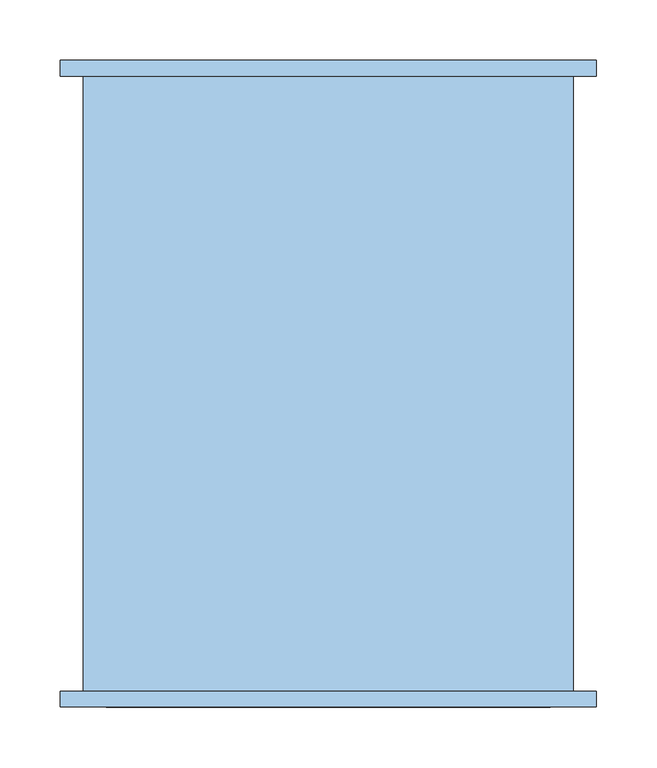
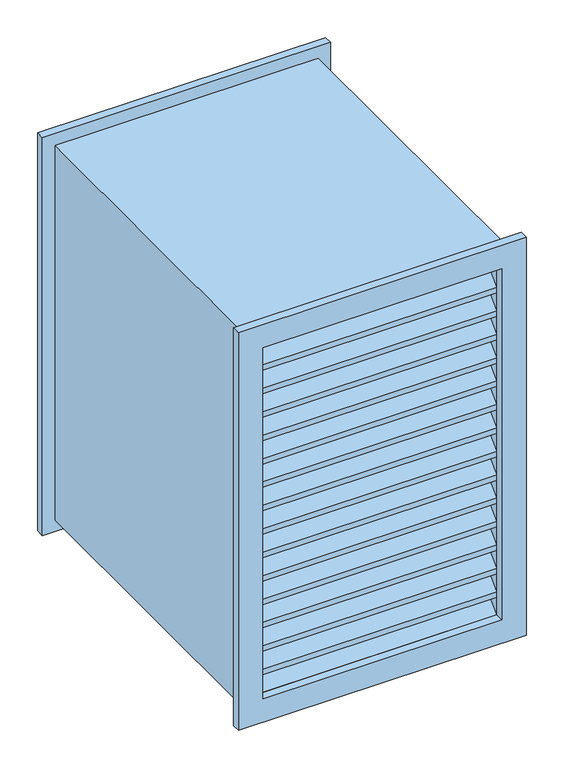
"""IFC4 building model written with IfcOpenShell, lengths in millimetres: window geometry."""

from ifc_helpers import new_model, si_unit, frame, origin, place, context, project, spatial, polyline, outline, extrude, source, transform, mapped, element, save


def window_15fb24dc(model_context):
    return source(origin(), model_context, "Body", "SweptSolid", [
        extrude(outline(polyline([(1543.55, -221.95), (896.05, -221.95), (896.05, 221.95), (1543.55, 221.95), (1543.55, -221.95)]), holes=[polyline([(1505.55, -183.95), (1505.55, 183.95), (934.05, 183.95), (934.05, -183.95), (1505.55, -183.95)])]), frame((0.0, -261.65, 0.0), z_axis=(0.0, 1.0, 0.0), x_axis=(0.0, 0.0, 1.0)), (0.0, 0.0, 1.0), 13.0),
        extrude(outline(polyline([(1543.55, 221.95), (1543.55, -221.95), (896.05, -221.95), (896.05, 221.95), (1543.55, 221.95)]), holes=[polyline([(1505.55, 183.95), (934.05, 183.95), (934.05, -183.95), (1505.55, -183.95), (1505.55, 183.95)])]), frame((0.0, 261.35, 0.0), z_axis=(0.0, 1.0, 0.0), x_axis=(0.0, 0.0, 1.0)), (0.0, 0.0, 1.0), 13.0),
        extrude(outline(polyline([(1524.6, 203.0), (1524.6, -203.0), (915.0, -203.0), (915.0, 203.0), (1524.6, 203.0)]), holes=[polyline([(1505.55, 183.95), (934.05, 183.95), (934.05, -183.95), (1505.55, -183.95), (1505.55, 183.95)])]), frame((0.0, -248.65, 0.0), z_axis=(0.0, 1.0, 0.0), x_axis=(0.0, 0.0, 1.0)), (0.0, 0.0, 1.0), 510.0),
        extrude(outline(polyline([(-212.7289755, 969.9710245), (-176.807951, 934.05), (-185.7882072, 934.05), (-212.7289755, 960.9907684), (-239.6697439, 934.05), (-248.65, 934.05), (-212.7289755, 969.9710245)])), frame((-183.95, 0.0, 0.0), z_axis=(1.0, 0.0, 0.0), x_axis=(0.0, 1.0, 0.0)), (0.0, 0.0, 1.0), 367.9),
        extrude(outline(polyline([(-212.7289755, 1008.0710245), (-176.807951, 972.15), (-176.807951, 963.1697439), (-212.7289755, 999.0907684), (-248.65, 963.1697439), (-248.65, 972.15), (-212.7289755, 1008.0710245)])), frame((-183.95, 0.0, 0.0), z_axis=(1.0, 0.0, 0.0), x_axis=(0.0, 1.0, 0.0)), (0.0, 0.0, 1.0), 367.9),
        extrude(outline(polyline([(-212.7289755, 1046.1710245), (-176.807951, 1010.25), (-176.807951, 1001.2697439), (-212.7289755, 1037.1907684), (-248.65, 1001.2697439), (-248.65, 1010.25), (-212.7289755, 1046.1710245)])), frame((-183.95, 0.0, 0.0), z_axis=(1.0, 0.0, 0.0), x_axis=(0.0, 1.0, 0.0)), (0.0, 0.0, 1.0), 367.9),
        extrude(outline(polyline([(-212.7289755, 1084.2710245), (-176.807951, 1048.35), (-176.807951, 1039.3697439), (-212.7289755, 1075.2907684), (-248.65, 1039.3697439), (-248.65, 1048.35), (-212.7289755, 1084.2710245)])), frame((-183.95, 0.0, 0.0), z_axis=(1.0, 0.0, 0.0), x_axis=(0.0, 1.0, 0.0)), (0.0, 0.0, 1.0), 367.9),
        extrude(outline(polyline([(-212.7289755, 1122.3710245), (-176.807951, 1086.45), (-176.807951, 1077.4697439), (-212.7289755, 1113.3907684), (-248.65, 1077.4697439), (-248.65, 1086.45), (-212.7289755, 1122.3710245)])), frame((-183.95, 0.0, 0.0), z_axis=(1.0, 0.0, 0.0), x_axis=(0.0, 1.0, 0.0)), (0.0, 0.0, 1.0), 367.9),
        extrude(outline(polyline([(-212.7289755, 1160.4710245), (-176.807951, 1124.55), (-176.807951, 1115.5697439), (-212.7289755, 1151.4907684), (-248.65, 1115.5697439), (-248.65, 1124.55), (-212.7289755, 1160.4710245)])), frame((-183.95, 0.0, 0.0), z_axis=(1.0, 0.0, 0.0), x_axis=(0.0, 1.0, 0.0)), (0.0, 0.0, 1.0), 367.9),
        extrude(outline(polyline([(-212.7289755, 1198.5710245), (-176.807951, 1162.65), (-176.807951, 1153.6697439), (-212.7289755, 1189.5907684), (-248.65, 1153.6697439), (-248.65, 1162.65), (-212.7289755, 1198.5710245)])), frame((-183.95, 0.0, 0.0), z_axis=(1.0, 0.0, 0.0), x_axis=(0.0, 1.0, 0.0)), (0.0, 0.0, 1.0), 367.9),
        extrude(outline(polyline([(-212.7289755, 1236.6710245), (-176.807951, 1200.75), (-176.807951, 1191.7697439), (-212.7289755, 1227.6907684), (-248.65, 1191.7697439), (-248.65, 1200.75), (-212.7289755, 1236.6710245)])), frame((-183.95, 0.0, 0.0), z_axis=(1.0, 0.0, 0.0), x_axis=(0.0, 1.0, 0.0)), (0.0, 0.0, 1.0), 367.9),
        extrude(outline(polyline([(-212.7289755, 1274.7710245), (-176.807951, 1238.85), (-176.807951, 1229.8697439), (-212.7289755, 1265.7907684), (-248.65, 1229.8697439), (-248.65, 1238.85), (-212.7289755, 1274.7710245)])), frame((-183.95, 0.0, 0.0), z_axis=(1.0, 0.0, 0.0), x_axis=(0.0, 1.0, 0.0)), (0.0, 0.0, 1.0), 367.9),
        extrude(outline(polyline([(-212.7289755, 1312.8710245), (-176.807951, 1276.95), (-176.807951, 1267.9697439), (-212.7289755, 1303.8907684), (-248.65, 1267.9697439), (-248.65, 1276.95), (-212.7289755, 1312.8710245)])), frame((-183.95, 0.0, 0.0), z_axis=(1.0, 0.0, 0.0), x_axis=(0.0, 1.0, 0.0)), (0.0, 0.0, 1.0), 367.9),
        extrude(outline(polyline([(-212.7289755, 1350.9710245), (-176.807951, 1315.05), (-176.807951, 1306.0697439), (-212.7289755, 1341.9907684), (-248.65, 1306.0697439), (-248.65, 1315.05), (-212.7289755, 1350.9710245)])), frame((-183.95, 0.0, 0.0), z_axis=(1.0, 0.0, 0.0), x_axis=(0.0, 1.0, 0.0)), (0.0, 0.0, 1.0), 367.9),
        extrude(outline(polyline([(-212.7289755, 1389.0710245), (-176.807951, 1353.15), (-176.807951, 1344.1697439), (-212.7289755, 1380.0907684), (-248.65, 1344.1697439), (-248.65, 1353.15), (-212.7289755, 1389.0710245)])), frame((-183.95, 0.0, 0.0), z_axis=(1.0, 0.0, 0.0), x_axis=(0.0, 1.0, 0.0)), (0.0, 0.0, 1.0), 367.9),
        extrude(outline(polyline([(-212.7289755, 1427.1710245), (-176.807951, 1391.25), (-176.807951, 1382.2697439), (-212.7289755, 1418.1907684), (-248.65, 1382.2697439), (-248.65, 1391.25), (-212.7289755, 1427.1710245)])), frame((-183.95, 0.0, 0.0), z_axis=(1.0, 0.0, 0.0), x_axis=(0.0, 1.0, 0.0)), (0.0, 0.0, 1.0), 367.9),
        extrude(outline(polyline([(-212.7289755, 1465.1710245), (-176.807951, 1429.35), (-176.807951, 1420.3697439), (-212.7289755, 1456.2907684), (-248.65, 1420.3697439), (-248.65, 1429.35), (-212.7289755, 1465.1710245)])), frame((-183.95, 0.0, 0.0), z_axis=(1.0, 0.0, 0.0), x_axis=(0.0, 1.0, 0.0)), (0.0, 0.0, 1.0), 367.9),
        extrude(outline(polyline([(-212.7289755, 1503.2710245), (-176.807951, 1467.35), (-176.807951, 1458.3697439), (-212.7289755, 1494.2907684), (-248.65, 1458.3697439), (-248.65, 1467.35), (-212.7289755, 1503.2710245)])), frame((-183.95, 0.0, 0.0), z_axis=(1.0, 0.0, 0.0), x_axis=(0.0, 1.0, 0.0)), (0.0, 0.0, 1.0), 367.9),
    ])


if __name__ == "__main__":
    model = new_model("IFC4")
    model_context = context("Model", 3, world=origin())
    ifc_project = project(units=[si_unit("LENGTHUNIT", "METRE", prefix="MILLI")], contexts=[model_context])
    site = spatial("IfcSite", under=ifc_project)
    building = spatial("IfcBuilding", under=site)
    placement = place(None, origin())
    window_shape = window_15fb24dc(model_context)
    element("IfcWindow", 1, at=placement, inside=building, context=model_context, shape_type="MappedRepresentation", body=[
        mapped(window_shape, transform((0.0, 0.0, 0.0), x_axis=(1.0, 0.0, 0.0), y_axis=(0.0, 1.0, 0.0), z_axis=(0.0, 0.0, 1.0))),
    ])
    save(model, "model.ifc")
